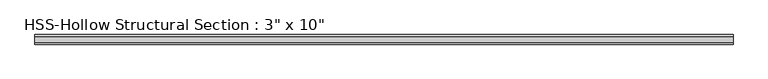
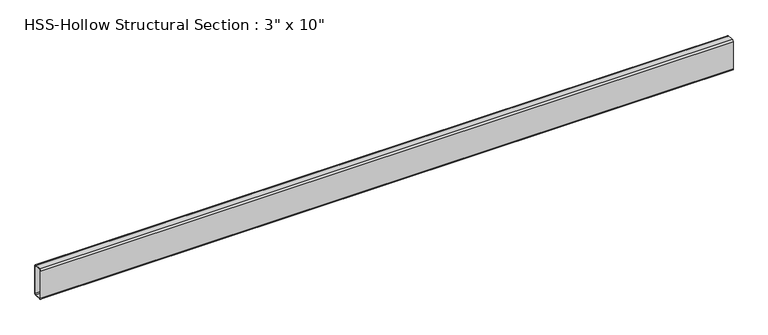
"""IFC4 building model written with IfcOpenShell, lengths in millimetres: beam geometry."""

import ifcopenshell
import ifcopenshell.guid

model = None  # the IFC model being written
_history = None  # IfcOwnerHistory: only IFC2X3 demands one
_inside = {}  # id of a spatial element -> (the spatial element, [elements in it])
_under = {}  # id of a project, library or spatial element -> (it, [spatial elements below it])
_declared = {}  # id of a project -> (the project, [libraries it declares])
_typed = {}  # id of a type object -> (the type object, [elements of that type])
_made_of = {}  # id of a material, layer set ... -> (it, [elements and type objects made of it])


def new_model(schema):
    """Start an empty IFC model of exactly this schema.

    Asked for "IFC4X3", IfcOpenShell would pick the latest addendum, in which some entities
    have other attributes; the version numbers below select the first issue.
    IFC2X3 requires an IfcOwnerHistory on every rooted entity: one is made here for all.
    """
    global model, _history
    if schema == "IFC4X3":
        model = ifcopenshell.file(schema_version=(4, 3, 0, 0))
    else:
        model = ifcopenshell.file(schema=schema)
    _inside.clear()
    _under.clear()
    _declared.clear()
    _typed.clear()
    _made_of.clear()
    _history = None
    if model.schema == "IFC2X3":
        org = make("IfcOrganization", Name="unknown")
        user = make(
            "IfcPersonAndOrganization",
            ThePerson=make("IfcPerson", FamilyName="unknown"),
            TheOrganization=org,
        )
        app = make(
            "IfcApplication",
            ApplicationDeveloper=org,
            Version="unknown",
            ApplicationFullName="unknown",
            ApplicationIdentifier="unknown",
        )
        _history = make(
            "IfcOwnerHistory",
            OwningUser=user,
            OwningApplication=app,
            ChangeAction="ADDED",
            CreationDate=0,
        )
    return model


def make(cls, **values):
    """One entity of the class cls with the attributes given. An attribute that is None is left unset."""
    return model.create_entity(
        cls, **{name: value for name, value in values.items() if value is not None}
    )


def rooted(cls, **values):
    """An entity with a GlobalId (a new one), such as an element, a storey or a relation."""
    return make(cls, GlobalId=ifcopenshell.guid.new(), OwnerHistory=_history, **values)


def si_unit(unit_type, name, prefix=None):
    """IfcSIUnit, for example si_unit("LENGTHUNIT", "METRE", prefix="MILLI")."""
    return make("IfcSIUnit", UnitType=unit_type, Prefix=prefix, Name=name)


def assignment(units):
    """IfcUnitAssignment: the units of a project."""
    return None if units is None else make("IfcUnitAssignment", Units=units)


def point(xyz):
    """IfcCartesianPoint."""
    return None if xyz is None else make("IfcCartesianPoint", Coordinates=xyz)


def direction(xyz):
    """IfcDirection."""
    return None if xyz is None else make("IfcDirection", DirectionRatios=xyz)


def frame(location, z_axis=None, x_axis=None):
    """IfcAxis2Placement3D, a coordinate frame: its origin and axes. An axis left out is left unset."""
    return make(
        "IfcAxis2Placement3D",
        Location=point(location),
        Axis=direction(z_axis),
        RefDirection=direction(x_axis),
    )


def frame_2d(location, x_axis=None):
    """IfcAxis2Placement2D, a coordinate frame in the plane: its origin and x axis."""
    return make(
        "IfcAxis2Placement2D", Location=point(location), RefDirection=direction(x_axis)
    )


def origin():
    """The frame at (0, 0, 0) with its axes left unset."""
    return frame((0.0, 0.0, 0.0))


def place(relative_to, where):
    """IfcLocalPlacement: puts the frame where relative to a parent placement (None: the world)."""
    return make(
        "IfcLocalPlacement", PlacementRelTo=relative_to, RelativePlacement=where
    )


def context(
    kind, dimensions, precision=None, world=None, true_north=None, identifier=None
):
    """IfcGeometricRepresentationContext, for example the 3D "Model" context."""
    return make(
        "IfcGeometricRepresentationContext",
        ContextIdentifier=identifier,
        ContextType=kind,
        CoordinateSpaceDimension=dimensions,
        Precision=precision,
        WorldCoordinateSystem=world,
        TrueNorth=true_north,
    )


def project(units=None, contexts=None):
    """IfcProject with its units and contexts."""
    return rooted(
        "IfcProject",
        Name="project",
        RepresentationContexts=contexts,
        UnitsInContext=assignment(units),
    )


def spatial(cls, under=None, at=None, **own):
    """A site, building, storey or space (cls), placed at a placement, below another one or the project."""
    s = rooted(cls, ObjectPlacement=at, **own)
    if under is not None:
        _under.setdefault(under.id(), (under, []))[1].append(s)
    return s


def polyline(points):
    """IfcPolyline through the points."""
    return make("IfcPolyline", Points=[point(p) for p in points])


def circle_curve(where, radius):
    """IfcCircle in the frame where."""
    return make("IfcCircle", Position=where, Radius=radius)


def trimmed(basis, trim1, trim2, sense, master):
    """IfcTrimmedCurve: the piece of a basis curve between two trims."""
    return make(
        "IfcTrimmedCurve",
        BasisCurve=basis,
        Trim1=trim1,
        Trim2=trim2,
        SenseAgreement=sense,
        MasterRepresentation=master,
    )


def segment(curve, same_sense, transition):
    """IfcCompositeCurveSegment."""
    return make(
        "IfcCompositeCurveSegment",
        Transition=transition,
        SameSense=same_sense,
        ParentCurve=curve,
    )


def composite_curve(segments, self_intersect=None):
    """IfcCompositeCurve: segments joined end to end."""
    return make("IfcCompositeCurve", Segments=segments, SelfIntersect=self_intersect)


def outline(outer, holes=None, kind="AREA"):
    """IfcArbitraryClosedProfileDef: a profile drawn as a closed curve; with holes, ...WithVoids."""
    if holes is None:
        return make("IfcArbitraryClosedProfileDef", ProfileType=kind, OuterCurve=outer)
    return make(
        "IfcArbitraryProfileDefWithVoids",
        ProfileType=kind,
        OuterCurve=outer,
        InnerCurves=holes,
    )


def extrude(swept, where, along, depth):
    """IfcExtrudedAreaSolid: the profile swept, set in the frame where, extruded along a direction by depth."""
    return make(
        "IfcExtrudedAreaSolid",
        SweptArea=swept,
        Position=where,
        ExtrudedDirection=direction(along),
        Depth=depth,
    )


def shape(context_of_items, identifier, shape_type, items):
    """IfcShapeRepresentation: the items that make up one representation, for example the "Body"."""
    return make(
        "IfcShapeRepresentation",
        ContextOfItems=context_of_items,
        RepresentationIdentifier=identifier,
        RepresentationType=shape_type,
        Items=items,
    )


def source(mapping_origin, context_of_items, identifier, shape_type, items):
    """IfcRepresentationMap: a shape defined once, which mapped items show again and again."""
    return make(
        "IfcRepresentationMap",
        MappingOrigin=mapping_origin,
        MappedRepresentation=shape(context_of_items, identifier, shape_type, items),
    )


def transform(
    local_origin,
    x_axis=None,
    y_axis=None,
    z_axis=None,
    scale=None,
    scale2=None,
    scale3=None,
    uniform=True,
):
    """IfcCartesianTransformationOperator3D, or its non-uniform kind. x_axis, y_axis, z_axis: its Axis1, 2, 3."""
    if uniform:
        return make(
            "IfcCartesianTransformationOperator3D",
            Axis1=direction(x_axis),
            Axis2=direction(y_axis),
            LocalOrigin=point(local_origin),
            Scale=scale,
            Axis3=direction(z_axis),
        )
    return make(
        "IfcCartesianTransformationOperator3DnonUniform",
        Axis1=direction(x_axis),
        Axis2=direction(y_axis),
        LocalOrigin=point(local_origin),
        Scale=scale,
        Axis3=direction(z_axis),
        Scale2=scale2,
        Scale3=scale3,
    )


def mapped(mapping_source, mapping_target):
    """IfcMappedItem: shows the shape of a source again, moved by a transform."""
    return make(
        "IfcMappedItem", MappingSource=mapping_source, MappingTarget=mapping_target
    )


def made_of(thing, what):
    """Note that an element or type object is made of a material, layer set ...; save() writes the relation."""
    if what is not None:
        _made_of.setdefault(what.id(), (what, []))[1].append(thing)
    return thing


def element(
    cls,
    number,
    at=None,
    inside=None,
    cuts=None,
    type_object=None,
    material=None,
    context=None,
    identifier="Body",
    shape_type=None,
    held_by="IfcProductDefinitionShape",
    body=None,
    shapes=None,
    **own,
):
    """One element of the class cls, such as IfcWall. Its Tag is "e" and its number.

    at: its placement. inside: the storey or other place that contains it. cuts: it is an
    opening in that element (IfcRelVoidsElement). A single representation is given by context,
    identifier, shape_type and body (its items); several are given by shapes. held_by: the class
    of the entity that holds the representations. save() writes the other relations.
    """
    e = rooted(cls, Tag="e%d" % number, ObjectPlacement=at, **own)
    if body is not None:
        shapes = [shape(context, identifier, shape_type, body)]
    if shapes is not None:
        e.Representation = make(held_by, Representations=shapes)
    if inside is not None:
        _inside.setdefault(inside.id(), (inside, []))[1].append(e)
    if cuts is not None:
        rooted(
            "IfcRelVoidsElement", RelatingBuildingElement=cuts, RelatedOpeningElement=e
        )
    if type_object is not None:
        _typed.setdefault(type_object.id(), (type_object, []))[1].append(e)
    return made_of(e, material)


def aggregate(whole, parts):
    """IfcRelAggregates: a whole, such as a stair, and the parts it consists of."""
    return rooted("IfcRelAggregates", RelatingObject=whole, RelatedObjects=parts)


def save(model, path):
    """Write the relations noted so far, then the file.

    IfcRelAggregates (storeys below a building ...), IfcRelContainedInSpatialStructure (elements
    in a storey), IfcRelDefinesByType, IfcRelAssociatesMaterial and IfcRelDeclares: one each for
    every whole, place, type object, material and project.
    """
    for whole, parts in _under.values():
        aggregate(whole, parts)
    for where, things in _inside.values():
        rooted(
            "IfcRelContainedInSpatialStructure",
            RelatedElements=things,
            RelatingStructure=where,
        )
    for kind, things in _typed.values():
        rooted("IfcRelDefinesByType", RelatedObjects=things, RelatingType=kind)
    for what, things in _made_of.values():
        rooted("IfcRelAssociatesMaterial", RelatedObjects=things, RelatingMaterial=what)
    for by, libraries in _declared.values():
        rooted("IfcRelDeclares", RelatingContext=by, RelatedDefinitions=libraries)
    model.write(path)


def beam_a35e020e(model_context):
    return source(origin(), model_context, "Body", "SweptSolid", [
        extrude(outline(composite_curve([segment(polyline([(38.1, 114.3), (38.1, -114.3)]), True, "CONTINUOUS"), segment(trimmed(circle_curve(frame_2d((25.4, -114.3)), 12.7), [point((38.1, -114.3))], [point((25.4, -127.0))], False, "CARTESIAN"), True, "CONTINUOUS"), segment(polyline([(25.4, -127.0), (-25.4, -127.0)]), True, "CONTINUOUS"), segment(trimmed(circle_curve(frame_2d((-25.4, -114.3)), 12.7), [point((-25.4, -127.0))], [point((-38.1, -114.3))], False, "CARTESIAN"), True, "CONTINUOUS"), segment(polyline([(-38.1, -114.3), (-38.1, 114.3)]), True, "CONTINUOUS"), segment(trimmed(circle_curve(frame_2d((-25.4, 114.3)), 12.7), [point((-38.1, 114.3))], [point((-25.4, 127.0))], False, "CARTESIAN"), True, "CONTINUOUS"), segment(polyline([(-25.4, 127.0), (25.4, 127.0)]), True, "CONTINUOUS"), segment(trimmed(circle_curve(frame_2d((25.4, 114.3)), 12.7), [point((25.4, 127.0))], [point((38.1, 114.3))], False, "CARTESIAN"), True, "CONTINUOUS")], self_intersect=False), holes=[composite_curve([segment(trimmed(circle_curve(frame_2d((-25.4, 114.3)), 6.35), [point((-25.4, 120.65))], [point((-31.75, 114.3))], True, "CARTESIAN"), True, "CONTINUOUS"), segment(polyline([(-31.75, 114.3), (-31.75, -114.3)]), True, "CONTINUOUS"), segment(trimmed(circle_curve(frame_2d((-25.4, -114.3)), 6.35), [point((-31.75, -114.3))], [point((-25.4, -120.65))], True, "CARTESIAN"), True, "CONTINUOUS"), segment(polyline([(-25.4, -120.65), (25.4, -120.65)]), True, "CONTINUOUS"), segment(trimmed(circle_curve(frame_2d((25.4, -114.3)), 6.35), [point((25.4, -120.65))], [point((31.75, -114.3))], True, "CARTESIAN"), True, "CONTINUOUS"), segment(polyline([(31.75, -114.3), (31.75, 114.3)]), True, "CONTINUOUS"), segment(trimmed(circle_curve(frame_2d((25.4, 114.3)), 6.35), [point((31.75, 114.3))], [point((25.4, 120.65))], True, "CARTESIAN"), True, "CONTINUOUS"), segment(polyline([(25.4, 120.65), (-25.4, 120.65)]), True, "CONTINUOUS")], self_intersect=False)]), frame((-2762.8764448, 0.0, 0.0), z_axis=(1.0, 0.0, 0.0), x_axis=(0.0, 1.0, 0.0)), (0.0, 0.0, 1.0), 5525.7528895),
    ])


if __name__ == "__main__":
    model = new_model("IFC4")
    model_context = context("Model", 3, world=origin())
    ifc_project = project(units=[si_unit("LENGTHUNIT", "METRE", prefix="MILLI")], contexts=[model_context])
    site = spatial("IfcSite", under=ifc_project)
    building = spatial("IfcBuilding", under=site)
    placement = place(None, origin())
    beam_shape = beam_a35e020e(model_context)
    element("IfcBeam", 1, ObjectType="HSS-Hollow Structural Section : 3\" x 10\"", at=placement, inside=building, context=model_context, shape_type="MappedRepresentation", body=[
        mapped(beam_shape, transform((0.0, 0.0, 0.0), x_axis=(1.0, 0.0, 0.0), y_axis=(0.0, 1.0, 0.0), z_axis=(0.0, 0.0, 1.0))),
    ])
    save(model, "model.ifc")
